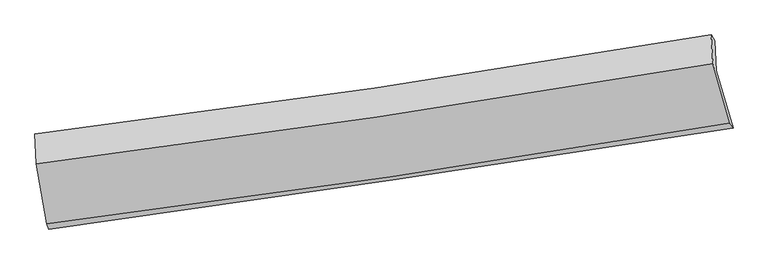
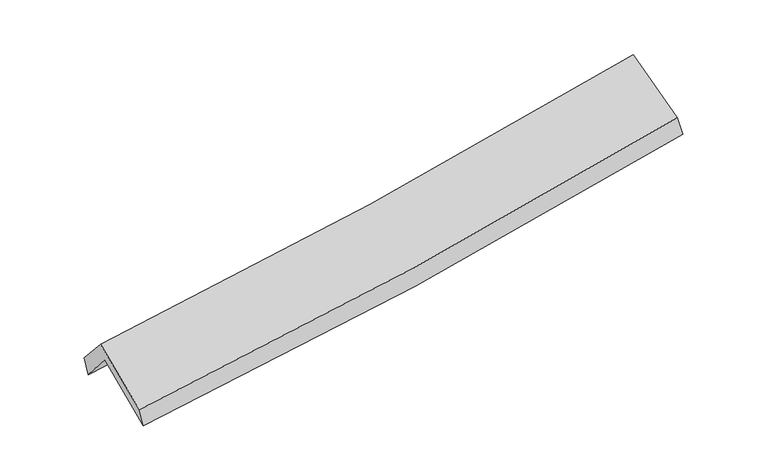
"""IFC4 building model written with IfcOpenShell, lengths in millimetres: proxy geometry."""

from ifc_helpers import new_model, si_unit, frame, origin, place, context, project, spatial, source, transform, mapped, element, save
from ifc_brep_helpers import plane_surface, spline_curve, spline_surface, advanced_brep


def generic_models_adc78345(model_context):
    return source(origin(), model_context, "Body", "AdvancedBrep", [
        advanced_brep(
        [(-2852.3655549, -2522.9966832, 1482.6612279), (-2941.5049406, -2010.2440685, 1902.0905593), (2868.3196292, -1164.0845239, 2394.5567422), (3012.8425476, -1654.2598546, 1971.7820983), (-2953.9778239, -1750.2069033, 1589.5317736), (2855.5921171, -907.5957607, 2086.1452158), (-2968.9650947, -1706.1791205, 1743.2227885), (2824.4087452, -855.5631521, 2264.4270685), (-2955.5228275, -1965.0779931, 2037.981584), (2840.1607081, -1101.7137083, 2530.6192268), (-2867.1398128, -2478.8833879, 1632.7654353), (2986.0441877, -1610.8737018, 2127.1483004)],
        [
            (0, 1),
            (1, 2, spline_curve(3, [(-2941.5049406, -2010.2440685, 1902.0905593), (-1965.849078713, -1879.741911064, 1947.433314559), (-992.445821288, -1743.753123726, 2011.319351475), (944.135913528, -1461.635505571, 2175.692523384), (1907.340845814, -1315.571111519, 2275.961880414), (2868.3196292, -1164.0845239, 2394.5567422)], [4, 2, 4], [0.0, 9.743341636285894, 19.42930006679059])),
            (2, 3),
            (3, 0, spline_curve(3, [(3012.8425476, -1654.2598546, 1971.7820983), (2043.50649392, -1808.150400242, 1848.491332121), (1071.52251249, -1957.290666767, 1746.144219911), (-883.515387764, -2246.926061406, 1582.855038445), (-1866.600773404, -2387.364737587, 1522.161860899), (-2852.3655549, -2522.9966832, 1482.6612279)], [4, 2, 4], [0.0, 9.685958430504694, 19.42930006679059])),
            (1, 4),
            (4, 5, spline_curve(3, [(-2953.9778239, -1750.2069033, 1589.5317736), (-1978.41667717, -1619.333919397, 1634.412421683), (-1005.081981739, -1483.45771579, 1698.415736657), (931.41518355, -1202.528575812, 1864.178132817), (1894.603802291, -1057.534398593, 1965.7126315), (2855.5921171, -907.5957607, 2086.1452158)], [4, 2, 4], [0.0, 9.695404880672076, 19.333708878077605])),
            (5, 2),
            (4, 6),
            (6, 7, spline_curve(3, [(-2968.9650947, -1706.1791205, 1743.2227885), (-1995.964232821, -1586.094895407, 1814.402066881), (-1025.263558659, -1454.926124384, 1893.577220398), (905.834040745, -1171.257288536, 2067.40588586), (1866.257979718, -1018.887403375, 2161.96549238), (2824.4087452, -855.5631521, 2264.4270685)], [4, 2, 4], [0.0, 9.683819636486726, 19.31060662075904])),
            (7, 5),
            (6, 8),
            (8, 9, spline_curve(3, [(-2955.5228275, -1965.0779931, 2037.981584), (-1982.026450989, -1838.743317292, 2094.809289998), (-1010.885137927, -1703.389906892, 2164.435215317), (920.98171547, -1415.495893223, 2328.798068418), (1881.734914048, -1263.061208978, 2423.384690955), (2840.1607081, -1101.7137083, 2530.6192268)], [4, 2, 4], [0.0, 9.67450384339069, 19.292029899734604])),
            (9, 7),
            (8, 10),
            (10, 11, spline_curve(3, [(-2867.1398128, -2478.8833879, 1632.7654353), (-1882.628945137, -2356.017575008, 1686.505130527), (-901.176600643, -2222.004066629, 1754.737905816), (1049.848812794, -1932.53658283, 1919.702404996), (2019.457801666, -1777.21352928, 2016.263917822), (2986.0441877, -1610.8737018, 2127.1483004)], [4, 2, 4], [0.0, 9.723676638007122, 19.39008588682709])),
            (11, 9),
            (10, 0),
            (3, 11),
        ],
        [
            spline_surface(3, 3, [[(-2852.3655549, -2522.9966832, 1482.6612279), (-1866.600773481, -2387.364737642, 1522.161860812), (-883.515387607, -2246.926061295, 1582.855038607), (1071.522512334, -1957.290666877, 1746.144219751), (2043.506493977, -1808.150400353, 1848.491332092), (3012.8425476, -1654.2598546, 1971.7820983)], [(-2882.078683466, -2352.079144957, 1622.471005031), (-1899.683541894, -2218.157128768, 1663.91901207), (-919.825532138, -2079.201748746, 1725.676476262), (1029.060312728, -1792.072279796, 1889.326987574), (1998.117944631, -1643.957304057, 1990.98151491), (2964.668241458, -1490.868077685, 2112.706979606)], [(-2911.791812034, -2181.161606743, 1762.280782169), (-1932.766310307, -2048.949519922, 1805.676163335), (-956.135676707, -1911.477436203, 1868.49791395), (986.598113084, -1626.853892723, 2032.509755432), (1952.729395311, -1479.764207807, 2133.471697712), (2916.493935342, -1327.476300815, 2253.631860894)], [(-2941.5049406, -2010.2440685, 1902.0905593), (-1965.84907872, -1879.741911047, 1947.433314593), (-992.445821238, -1743.753123654, 2011.319351605), (944.135913479, -1461.635505643, 2175.692523255), (1907.340845965, -1315.571111511, 2275.96188053), (2868.3196292, -1164.0845239, 2394.5567422)]], [4, 4], [4, 2, 4], [0.0, 2.194557578837786], [0.0, 9.743341636285894, 19.42930006679059]),
            spline_surface(3, 3, [[(-2941.5049406, -2010.2440685, 1902.0905593), (-1965.84907872, -1879.741911047, 1947.433314593), (-992.445821238, -1743.753123654, 2011.319351605), (944.135913479, -1461.635505643, 2175.692523255), (1907.340845965, -1315.571111511, 2275.96188053), (2868.3196292, -1164.0845239, 2394.5567422)], [(-2945.662568361, -1923.565013444, 1797.904297405), (-1970.038278188, -1792.93924716, 1843.093016935), (-996.657874801, -1656.987987689, 1907.018146665), (939.895670205, -1375.266529, 2071.85439305), (1903.095164695, -1229.558873833, 2172.545464188), (2864.077125162, -1078.588269508, 2291.752900047)], [(-2949.820196139, -1836.885958356, 1693.718035495), (-1974.227477673, -1706.13658324, 1738.752719262), (-1000.869928325, -1570.222851789, 1802.71694175), (935.655426971, -1288.897552421, 1968.016262869), (1898.849483438, -1143.546636132, 2069.129047903), (2859.834621138, -993.092015092, 2188.949057953)], [(-2953.9778239, -1750.2069033, 1589.5317736), (-1978.416677141, -1619.333919353, 1634.412421605), (-1005.081981888, -1483.457715824, 1698.415736811), (931.415183698, -1202.528575778, 1864.178132664), (1894.603802168, -1057.534398454, 1965.71263156), (2855.5921171, -907.5957607, 2086.1452158)]], [4, 4], [4, 2, 4], [0.0, 1.3330237179710476], [0.0, 9.695404880672076, 19.333708878077605]),
            spline_surface(3, 3, [[(-2953.9778239, -1750.2069033, 1589.5317736), (-1978.416677141, -1619.333919353, 1634.412421605), (-1005.081981888, -1483.457715824, 1698.415736811), (931.415183698, -1202.528575778, 1864.178132664), (1894.603802168, -1057.534398454, 1965.71263156), (2855.5921171, -907.5957607, 2086.1452158)], [(-2958.973580838, -1735.53097568, 1640.76211188), (-1984.265862392, -1608.254244724, 1694.408969969), (-1011.809174095, -1473.947185398, 1763.469564641), (922.888136054, -1192.104813356, 1931.920717122), (1885.155194701, -1044.652066749, 2031.130251869), (2845.197659826, -890.251557842, 2145.572500033)], [(-2963.969337762, -1720.85504812, 1691.99245022), (-1990.115047629, -1597.174570155, 1754.405518392), (-1018.536366387, -1464.436654903, 1828.523392431), (914.361088325, -1181.681050865, 1999.663301539), (1875.706587156, -1031.769735019, 2096.54787218), (2834.803202474, -872.907354958, 2204.999784267)], [(-2968.9650947, -1706.1791205, 1743.2227885), (-1995.96423288, -1586.094895526, 1814.402066755), (-1025.263558594, -1454.926124478, 1893.577220261), (905.834040681, -1171.257288443, 2067.405885997), (1866.257979689, -1018.887403315, 2161.965492488), (2824.4087452, -855.5631521, 2264.4270685)]], [4, 4], [4, 2, 4], [0.0, 0.6650104593212526], [0.0, 9.683819636486726, 19.31060662075904]),
            spline_surface(3, 3, [[(-2968.9650947, -1706.1791205, 1743.2227885), (-1995.96423288, -1586.094895526, 1814.402066755), (-1025.263558594, -1454.926124478, 1893.577220261), (905.834040681, -1171.257288443, 2067.405885997), (1866.257979689, -1018.887403315, 2161.965492488), (2824.4087452, -855.5631521, 2264.4270685)], [(-2964.484338965, -1792.478744715, 1841.475720326), (-1991.3183056, -1670.31103611, 1907.871141182), (-1020.470751706, -1537.747385232, 1983.863218569), (910.883265591, -1252.670156737, 2154.536613521), (1871.41695784, -1100.278671828, 2249.105225337), (2829.659399478, -937.613337483, 2353.157787943)], [(-2960.003583235, -1878.778368885, 1939.728652174), (-1986.672378323, -1754.52717665, 2001.34021563), (-1015.677944787, -1620.56864601, 2074.149216867), (915.932490533, -1334.083025055, 2241.667341036), (1876.575936057, -1181.669940392, 2336.244958156), (2834.910053822, -1019.663522917, 2441.888507357)], [(-2955.5228275, -1965.0779931, 2037.981584), (-1982.026451043, -1838.743317234, 2094.809290056), (-1010.885137899, -1703.389906765, 2164.435215175), (920.981715443, -1415.495893349, 2328.79806856), (1881.734914207, -1263.061208905, 2423.384691005), (2840.1607081, -1101.7137083, 2530.6192268)]], [4, 4], [4, 2, 4], [0.0, 1.1908611682266719], [0.0, 9.67450384339069, 19.292029899734604]),
            spline_surface(3, 3, [[(-2955.5228275, -1965.0779931, 2037.981584), (-1982.026451043, -1838.743317234, 2094.809290056), (-1010.885137899, -1703.389906765, 2164.435215175), (920.981715443, -1415.495893349, 2328.79806856), (1881.734914207, -1263.061208905, 2423.384691005), (2840.1607081, -1101.7137083, 2530.6192268)], [(-2926.061822606, -2136.346458026, 1902.90953445), (-1948.893949095, -2011.168069791, 1958.707903539), (-974.315625457, -1876.26129336, 2027.869445389), (963.937414558, -1587.842789883, 2192.432847325), (1927.642543375, -1434.445315705, 2287.67776662), (2888.788534636, -1271.433706137, 2396.128917994)], [(-2896.600817694, -2307.614922974, 1767.83748485), (-1915.761447129, -2183.59282237, 1822.606516972), (-937.746113047, -2049.132679933, 1891.303675672), (1006.893113641, -1760.189686396, 2056.067626159), (1973.550172536, -1605.829422492, 2151.970842254), (2937.416361164, -1441.153703963, 2261.638609206)], [(-2867.1398128, -2478.8833879, 1632.7654353), (-1882.628945182, -2356.017574927, 1686.505130455), (-901.176600605, -2222.004066528, 1754.737905887), (1049.848812757, -1932.53658293, 1919.702404925), (2019.457801704, -1777.213529292, 2016.26391787), (2986.0441877, -1610.8737018, 2127.1483004)]], [4, 4], [4, 2, 4], [0.0, 2.2007882379652552], [0.0, 9.723676638007122, 19.39008588682709]),
            spline_surface(3, 3, [[(-2867.1398128, -2478.8833879, 1632.7654353), (-1882.628945182, -2356.017574927, 1686.505130455), (-901.176600605, -2222.004066528, 1754.737905887), (1049.848812757, -1932.53658293, 1919.702404925), (2019.457801704, -1777.213529292, 2016.26391787), (2986.0441877, -1610.8737018, 2127.1483004)], [(-2862.215060163, -2493.587819678, 1582.730699507), (-1877.286221278, -2366.466629177, 1631.724040581), (-895.289529633, -2230.311398119, 1697.443616819), (1057.073379255, -1940.787944248, 1861.849676559), (2027.474032469, -1787.525819657, 1960.339722621), (2994.976974341, -1625.335752745, 2075.359566377)], [(-2857.290307537, -2508.292251422, 1532.695963693), (-1871.943497385, -2376.915683393, 1576.942950686), (-889.402458578, -2238.618729704, 1640.149327675), (1064.297945836, -1949.039305559, 1803.996948116), (2035.490263212, -1797.838109988, 1904.415527341), (3003.909760959, -1639.797803655, 2023.570832323)], [(-2852.3655549, -2522.9966832, 1482.6612279), (-1866.600773481, -2387.364737642, 1522.161860812), (-883.515387607, -2246.926061295, 1582.855038607), (1071.522512334, -1957.290666877, 1746.144219751), (2043.506493977, -1808.150400353, 1848.491332092), (3012.8425476, -1654.2598546, 1971.7820983)]], [4, 4], [4, 2, 4], [0.0, 0.5761019865042241], [0.0, 9.781026691566927, 19.504448232011644]),
            plane_surface(frame((2897.8946558, -1215.6817836, 2229.1131087), z_axis=(0.9753772887940757, 0.18767734073516, 0.11582901311544161), x_axis=(0.21910387506551007, -0.7647125494089597, -0.6059770694570272))),
            plane_surface(frame((-2923.246009, -2072.2646928, 1731.3755614), z_axis=(-0.9906428038223989, -0.12171991702101383, -0.06173408325466255), x_axis=(-0.09401485059050656, 0.28071155210852045, 0.9551765451377405))),
        ],
        [
            (0, [[1, 2, 3, 4]]),
            (1, [[5, 6, 7, -2]]),
            (2, [[8, 9, 10, -6]]),
            (3, [[11, 12, 13, -9]]),
            (4, [[14, 15, 16, -12]]),
            (5, [[17, -4, 18, -15]]),
            (6, [[-16, -18, -3, -7, -10, -13]]),
            (7, [[-17, -14, -11, -8, -5, -1]]),
        ],
    ),
    ])


if __name__ == "__main__":
    model = new_model("IFC4")
    model_context = context("Model", 3, world=origin())
    ifc_project = project(units=[si_unit("LENGTHUNIT", "METRE", prefix="MILLI")], contexts=[model_context])
    site = spatial("IfcSite", under=ifc_project)
    building = spatial("IfcBuilding", under=site)
    placement = place(None, origin())
    generic_models_shape = generic_models_adc78345(model_context)
    element("IfcBuildingElementProxy", 1, Name="Generic Models", at=placement, inside=building, context=model_context, shape_type="MappedRepresentation", body=[
        mapped(generic_models_shape, transform((0.0, 0.0, 0.0), x_axis=(1.0, 0.0, 0.0), y_axis=(0.0, 1.0, 0.0), z_axis=(0.0, 0.0, 1.0))),
    ])
    save(model, "model.ifc")
